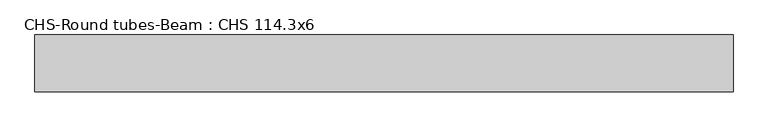
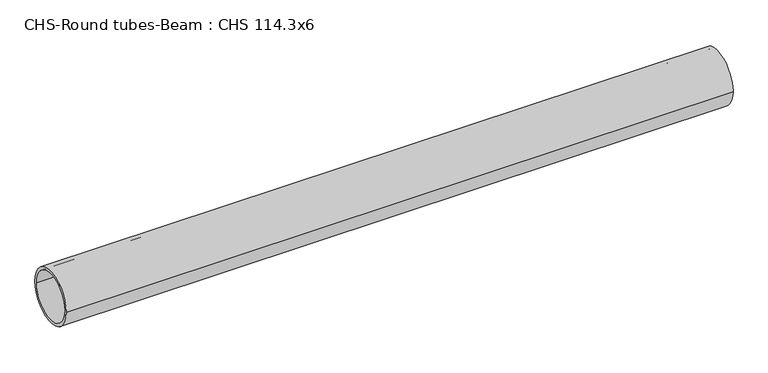
"""IFC4 building model written with IfcOpenShell, lengths in millimetres: beam geometry, CHS-Round tubes-Beam : CHS 114.3x6."""

from ifc_helpers import new_model, si_unit, point, frame, origin, origin_2d, place, context, project, spatial, circle_curve, trimmed, segment, composite_curve, outline, extrude, source, transform, mapped, element, save


def chs_round_tubes_beam_chs_114_3x6_02eee990(model_context):
    return source(origin(), model_context, "Body", "SweptSolid", [
        extrude(outline(composite_curve([segment(trimmed(circle_curve(origin_2d(), 57.15), [point((57.15, 0.0))], [point((-57.15, 0.0))], False, "CARTESIAN"), True, "CONTINUOUS"), segment(trimmed(circle_curve(origin_2d(), 57.15), [point((-57.15, 0.0))], [point((57.15, 0.0))], False, "CARTESIAN"), True, "CONTINUOUS")], self_intersect=False), holes=[composite_curve([segment(trimmed(circle_curve(origin_2d(), 51.15), [point((51.15, 0.0))], [point((-51.15, 0.0))], True, "CARTESIAN"), True, "CONTINUOUS"), segment(trimmed(circle_curve(origin_2d(), 51.15), [point((-51.15, 0.0))], [point((51.15, 0.0))], True, "CARTESIAN"), True, "CONTINUOUS")], self_intersect=False)]), frame((-701.5964694, 0.0, 0.0), z_axis=(1.0, 0.0, 0.0), x_axis=(0.0, 1.0, 0.0)), (0.0, 0.0, 1.0), 1403.1927243),
    ])


if __name__ == "__main__":
    model = new_model("IFC4")
    model_context = context("Model", 3, world=origin())
    ifc_project = project(units=[si_unit("LENGTHUNIT", "METRE", prefix="MILLI")], contexts=[model_context])
    site = spatial("IfcSite", under=ifc_project)
    building = spatial("IfcBuilding", under=site)
    placement = place(None, origin())
    chs_round_tubes_beam_chs_114_3x6_shape = chs_round_tubes_beam_chs_114_3x6_02eee990(model_context)
    element("IfcBeam", 1, ObjectType="CHS-Round tubes-Beam : CHS 114.3x6", at=placement, inside=building, context=model_context, shape_type="MappedRepresentation", body=[
        mapped(chs_round_tubes_beam_chs_114_3x6_shape, transform((0.0, 0.0, 0.0), x_axis=(1.0, 0.0, 0.0), y_axis=(0.0, 1.0, 0.0), z_axis=(0.0, 0.0, 1.0))),
    ])
    save(model, "model.ifc")
